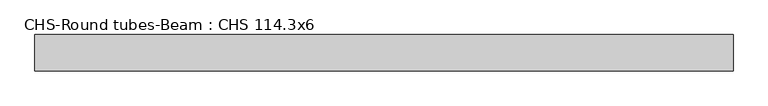
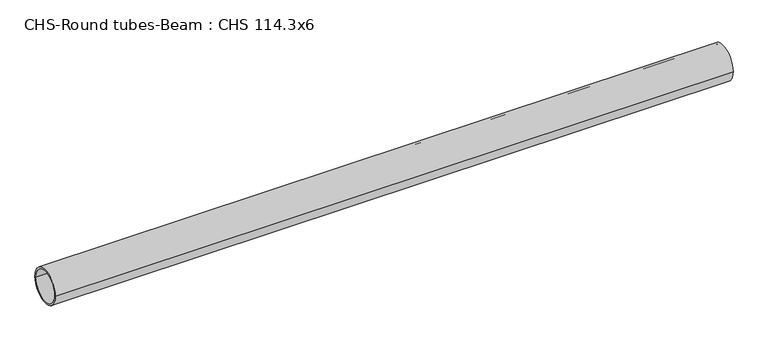
"""IFC4 building model written with IfcOpenShell, lengths in millimetres: beam geometry, CHS-Round tubes-Beam : CHS 114.3x6."""

from ifc_helpers import new_model, si_unit, point, frame, origin, origin_2d, place, context, project, spatial, circle_curve, trimmed, segment, composite_curve, outline, extrude, source, transform, mapped, element, save


def chs_round_tubes_beam_chs_114_3x6_3d8d72b9(model_context):
    return source(origin(), model_context, "Body", "SweptSolid", [
        extrude(outline(composite_curve([segment(trimmed(circle_curve(origin_2d(), 57.15), [point((57.15, 0.0))], [point((-57.15, 0.0))], False, "CARTESIAN"), True, "CONTINUOUS"), segment(trimmed(circle_curve(origin_2d(), 57.15), [point((-57.15, 0.0))], [point((57.15, 0.0))], False, "CARTESIAN"), True, "CONTINUOUS")], self_intersect=False), holes=[composite_curve([segment(trimmed(circle_curve(origin_2d(), 51.15), [point((51.15, 0.0))], [point((-51.15, 0.0))], True, "CARTESIAN"), True, "CONTINUOUS"), segment(trimmed(circle_curve(origin_2d(), 51.15), [point((-51.15, 0.0))], [point((51.15, 0.0))], True, "CARTESIAN"), True, "CONTINUOUS")], self_intersect=False)]), frame((-926.8083921, 0.0, 0.0), z_axis=(1.0, 0.0, 0.0), x_axis=(0.0, 1.0, 0.0)), (0.0, 0.0, 1.0), 2191.2479279),
    ])


if __name__ == "__main__":
    model = new_model("IFC4")
    model_context = context("Model", 3, world=origin())
    ifc_project = project(units=[si_unit("LENGTHUNIT", "METRE", prefix="MILLI")], contexts=[model_context])
    site = spatial("IfcSite", under=ifc_project)
    building = spatial("IfcBuilding", under=site)
    placement = place(None, origin())
    chs_round_tubes_beam_chs_114_3x6_shape = chs_round_tubes_beam_chs_114_3x6_3d8d72b9(model_context)
    element("IfcBeam", 1, ObjectType="CHS-Round tubes-Beam : CHS 114.3x6", at=placement, inside=building, context=model_context, shape_type="MappedRepresentation", body=[
        mapped(chs_round_tubes_beam_chs_114_3x6_shape, transform((0.0, 0.0, 0.0), x_axis=(1.0, 0.0, 0.0), y_axis=(0.0, 1.0, 0.0), z_axis=(0.0, 0.0, 1.0))),
    ])
    save(model, "model.ifc")
